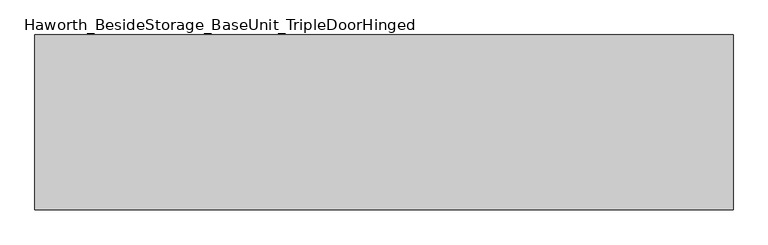
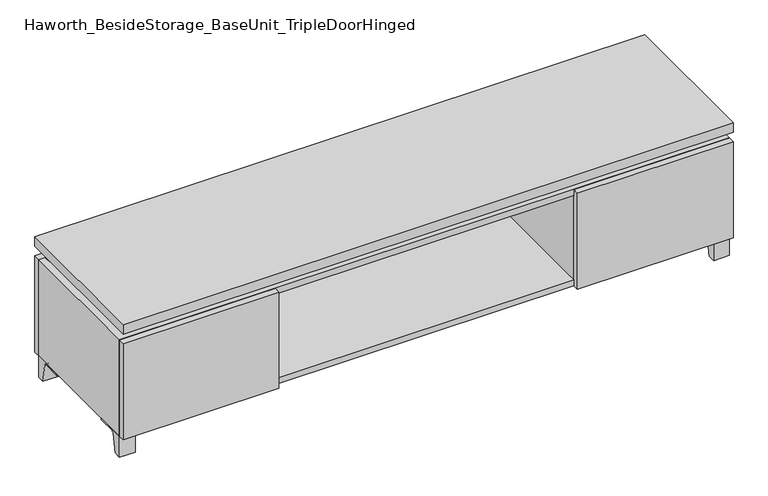
"""IFC4 building model written with IfcOpenShell, lengths in millimetres: furniture geometry, Haworth_BesideStorage_BaseUnit_TripleDoorHinged."""

from ifc_helpers import new_model, si_unit, point, frame, frame_2d, origin, place, context, project, spatial, polyline, circle_curve, trimmed, segment, composite_curve, outline, extrude, faceted_brep, source, transform, mapped, element, save


def haworth_besidestorage_baseunit_tripledoorhinged_b6907b3c(model_context):
    return source(origin(), model_context, "Body", "SolidModel", [
        extrude(outline(composite_curve([segment(polyline([(38.6291531, 0.0), (15.875, 0.0), (15.875, 66.675), (111.125, 66.675), (111.125, 61.8963321), (54.3244655, 61.8963321)]), True, "CONTINUOUS"), segment(trimmed(circle_curve(frame_2d((54.3244655, 55.5463321)), 6.35), [point((54.3244655, 61.8963321))], [point((48.0608641, 56.5902656))], True, "CARTESIAN"), True, "CONTINUOUS"), segment(polyline([(48.0608641, 56.5902656), (38.6291531, 0.0)]), True, "CONTINUOUS")], self_intersect=False)), frame((-23.7986094, 0.0, 0.0), z_axis=(1.0, 0.0, 0.0), x_axis=(0.0, 1.0, 0.0)), (0.0, 0.0, 1.0), 47.625),
        extrude(outline(composite_curve([segment(polyline([(-129.6458469, 0.0), (-152.4, 0.0), (-152.4, 66.675), (-57.15, 66.675), (-57.15, 61.8963321), (-113.9505345, 61.8963321)]), True, "CONTINUOUS"), segment(trimmed(circle_curve(frame_2d((-113.9505345, 55.5463321)), 6.35), [point((-113.9505345, 61.8963321))], [point((-120.2141359, 56.5902656))], True, "CARTESIAN"), True, "CONTINUOUS"), segment(polyline([(-120.2141359, 56.5902656), (-129.6458469, 0.0)]), True, "CONTINUOUS")], self_intersect=False)), frame((865.2013906, 0.0, 0.0), z_axis=(1.0, 0.0, 0.0), x_axis=(0.0, 1.0, 0.0)), (0.0, 0.0, 1.0), 47.625),
        extrude(outline(composite_curve([segment(polyline([(243.9458469, 0.0), (234.5141359, 56.5902656)]), True, "CONTINUOUS"), segment(trimmed(circle_curve(frame_2d((228.2505345, 55.5463321)), 6.35), [point((234.5141359, 56.5902656))], [point((228.2505345, 61.8963321))], True, "CARTESIAN"), True, "CONTINUOUS"), segment(polyline([(228.2505345, 61.8963321), (171.45, 61.8963321), (171.45, 66.675), (266.7, 66.675), (266.7, 0.0), (243.9458469, 0.0)]), True, "CONTINUOUS")], self_intersect=False)), frame((865.2013906, 0.0, 0.0), z_axis=(1.0, 0.0, 0.0), x_axis=(0.0, 1.0, 0.0)), (0.0, 0.0, 1.0), 47.625),
        extrude(outline(composite_curve([segment(polyline([(-129.6458469, 0.0), (-152.4, 0.0), (-152.4, 66.675), (-57.15, 66.675), (-57.15, 61.8963321), (-113.9505345, 61.8963321)]), True, "CONTINUOUS"), segment(trimmed(circle_curve(frame_2d((-113.9505345, 55.5463321)), 6.35), [point((-113.9505345, 61.8963321))], [point((-120.2141359, 56.5902656))], True, "CARTESIAN"), True, "CONTINUOUS"), segment(polyline([(-120.2141359, 56.5902656), (-129.6458469, 0.0)]), True, "CONTINUOUS")], self_intersect=False)), frame((-912.7986094, 0.0, 0.0), z_axis=(1.0, 0.0, 0.0), x_axis=(0.0, 1.0, 0.0)), (0.0, 0.0, 1.0), 47.625),
        extrude(outline(composite_curve([segment(polyline([(243.9458469, 0.0), (234.5141359, 56.5902656)]), True, "CONTINUOUS"), segment(trimmed(circle_curve(frame_2d((228.2505345, 55.5463321)), 6.35), [point((234.5141359, 56.5902656))], [point((228.2505345, 61.8963321))], True, "CARTESIAN"), True, "CONTINUOUS"), segment(polyline([(228.2505345, 61.8963321), (171.45, 61.8963321), (171.45, 66.675), (266.7, 66.675), (266.7, 0.0), (243.9458469, 0.0)]), True, "CONTINUOUS")], self_intersect=False)), frame((-912.7986094, 0.0, 0.0), z_axis=(1.0, 0.0, 0.0), x_axis=(0.0, 1.0, 0.0)), (0.0, 0.0, 1.0), 47.625),
        faceted_brep([(-912.7986094, -152.4, 66.675), (912.8125, -152.4, 66.675), (912.8125, -152.4, 371.475), (-912.7986094, -152.4, 371.475), (-893.7486094, -152.4, 85.725), (-893.7486094, -152.4, 352.425), (893.7694453, -152.4, 352.425), (893.7486094, -152.4, 85.725), (-912.7986094, 266.7, 66.675), (-912.7986094, 266.7, 371.475), (-893.7486094, 266.7, 371.475), (-893.7486094, 266.7, 85.725), (893.7486094, 266.7, 85.725), (893.7486094, 266.7, 371.475), (912.8125, 266.7, 371.475), (912.8125, 266.7, 66.675), (893.7486094, 241.3, 371.475), (-893.7416641, 241.3, 371.475), (-893.7486094, 241.3, 352.425), (893.7486094, 241.3, 352.425)], [[[0, 1, 2, 3], [4, 5, 6, 7]], [[8, 9, 10, 11, 12, 13, 14, 15]], [[1, 0, 8, 15]], [[2, 1, 15, 14]], [[3, 2, 14, 13, 16, 17, 10, 9]], [[0, 3, 9, 8]], [[11, 10, 17, 18, 5, 4]], [[13, 12, 7, 6, 19, 16]], [[4, 7, 12, 11]], [[6, 5, 18, 19]], [[17, 16, 19, 18]]]),
        extrude(outline(polyline([(912.8263906, -171.45), (-912.7986094, -171.45), (-912.7986094, 285.75), (912.8263906, 285.75), (912.8263906, -171.45)])), frame((0.0, 0.0, 401.6375), z_axis=(0.0, 0.0, 1.0), x_axis=(1.0, 0.0, 0.0)), (0.0, 0.0, 1.0), 30.1625),
        faceted_brep([(7.9513906, -76.2, 401.6375), (7.9513906, -76.2, 371.475), (7.9513906, 47.625, 371.475), (7.9513906, 47.625, 401.6375), (7.9513906, 190.5, 371.475), (7.9513906, 190.5, 401.6375), (7.9513906, 66.675, 401.6375), (7.9513906, 66.675, 371.475), (-7.9236094, 190.5, 401.6375), (-7.9236094, 190.5, 371.475), (-7.9236094, 66.675, 371.475), (-7.9236094, 66.675, 401.6375), (-7.9236094, -76.2, 371.475), (-7.9236094, -76.2, 401.6375), (-7.9236094, 47.625, 401.6375), (-7.9236094, 47.625, 371.475), (-871.4958281, 66.675, 401.6375), (-871.5166641, 241.3, 401.6375), (-887.3916641, 241.3, 401.6375), (-887.3916641, -127.0, 401.6375), (-871.5166641, -127.0, 401.6375), (-871.5166641, 47.625, 401.6375), (871.5236094, 47.625, 401.6375), (871.5236094, -127.0, 401.6375), (887.3986094, -127.0, 401.6375), (887.3986094, 241.3, 401.6375), (871.5236094, 241.3, 401.6375), (871.5236094, 66.675, 401.6375), (-871.4958281, 47.625, 371.475), (-871.5166641, -127.0, 371.475), (-887.3916641, -127.0, 371.475), (-887.3916641, 241.3, 371.475), (-871.5166641, 241.3, 371.475), (-871.5166641, 66.675, 371.475), (871.5236094, 66.675, 371.475), (871.5236094, 241.3, 371.475), (887.3986094, 241.3, 371.475), (887.3986094, -127.0, 371.475), (871.5236094, -127.0, 371.475), (871.5236094, 47.625, 371.475)], [[[0, 1, 2, 3]], [[4, 5, 6, 7]], [[8, 9, 10, 11]], [[12, 13, 14, 15]], [[5, 8, 11, 16, 17, 18, 19, 20, 21, 14, 13, 0, 3, 22, 23, 24, 25, 26, 27, 6]], [[1, 12, 15, 28, 29, 30, 31, 32, 33, 10, 9, 4, 7, 34, 35, 36, 37, 38, 39, 2]], [[5, 4, 9, 8]], [[1, 0, 13, 12]], [[6, 27, 34, 7]], [[22, 3, 2, 39]], [[20, 29, 28, 21]], [[32, 17, 16, 33]], [[18, 31, 30, 19]], [[29, 20, 19, 30]], [[17, 32, 31, 18]], [[26, 35, 34, 27]], [[38, 23, 22, 39]], [[25, 24, 37, 36]], [[23, 38, 37, 24]], [[35, 26, 25, 36]], [[16, 11, 10, 33]], [[14, 21, 28, 15]]]),
        extrude(outline(polyline([(912.8263906, 266.7), (-912.7986094, 266.7), (-912.7986094, 285.75), (912.8263906, 285.75), (912.8263906, 266.7)])), frame((0.0, 0.0, 66.675), z_axis=(0.0, 0.0, 1.0), x_axis=(1.0, 0.0, 0.0)), (0.0, 0.0, 1.0), 304.8),
        extrude(outline(polyline([(-893.7416641, 196.85), (-893.7416641, 203.2), (893.7694453, 203.2), (893.7694453, 196.85), (-893.7416641, 196.85)])), frame((0.0, 0.0, 85.725), z_axis=(0.0, 0.0, 1.0), x_axis=(1.0, 0.0, 0.0)), (0.0, 0.0, 1.0), 266.7),
        extrude(outline(polyline([(446.8951406, -171.45), (446.8951406, -152.4), (912.8263906, -152.4), (912.8263906, -171.45), (446.8951406, -171.45)])), frame((0.0, 0.0, 66.675), z_axis=(0.0, 0.0, 1.0), x_axis=(1.0, 0.0, 0.0)), (0.0, 0.0, 1.0), 304.8),
        extrude(outline(polyline([(-446.8673594, -171.45), (-912.7986094, -171.45), (-912.7986094, -152.4), (-446.8673594, -152.4), (-446.8673594, -171.45)])), frame((0.0, 0.0, 66.675), z_axis=(0.0, 0.0, 1.0), x_axis=(1.0, 0.0, 0.0)), (0.0, 0.0, 1.0), 304.8),
        extrude(outline(polyline([(446.8951406, 196.85), (465.9451406, 196.85), (465.9451406, -152.4), (446.8951406, -152.4), (446.8951406, 196.85)])), frame((0.0, 0.0, 85.725), z_axis=(0.0, 0.0, 1.0), x_axis=(1.0, 0.0, 0.0)), (0.0, 0.0, 1.0), 266.7),
        extrude(outline(polyline([(-465.9173594, 196.85), (-446.8673594, 196.85), (-446.8673594, -152.4), (-465.9173594, -152.4), (-465.9173594, 196.85)])), frame((0.0, 0.0, 85.725), z_axis=(0.0, 0.0, 1.0), x_axis=(1.0, 0.0, 0.0)), (0.0, 0.0, 1.0), 266.7),
    ])


if __name__ == "__main__":
    model = new_model("IFC4")
    model_context = context("Model", 3, world=origin())
    ifc_project = project(units=[si_unit("LENGTHUNIT", "METRE", prefix="MILLI")], contexts=[model_context])
    site = spatial("IfcSite", under=ifc_project)
    building = spatial("IfcBuilding", under=site)
    placement = place(None, origin())
    haworth_besidestorage_baseunit_tripledoorhinged_shape = haworth_besidestorage_baseunit_tripledoorhinged_b6907b3c(model_context)
    element("IfcFurniture", 1, ObjectType="Haworth_BesideStorage_BaseUnit_TripleDoorHinged", at=placement, inside=building, context=model_context, shape_type="MappedRepresentation", body=[
        mapped(haworth_besidestorage_baseunit_tripledoorhinged_shape, transform((0.0, 0.0, 0.0), x_axis=(1.0, 0.0, 0.0), y_axis=(0.0, 1.0, 0.0), z_axis=(0.0, 0.0, 1.0))),
    ])
    save(model, "model.ifc")
